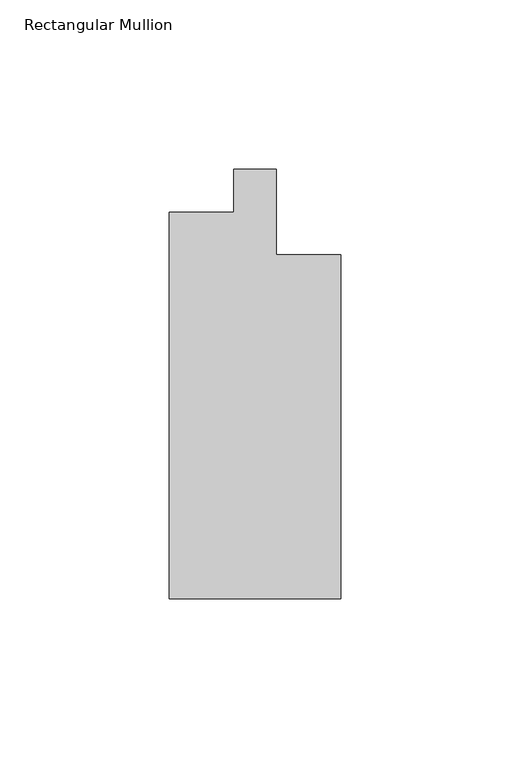
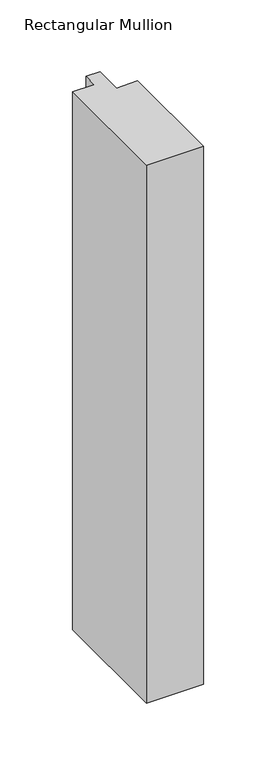
"""IFC4 building model written with IfcOpenShell, lengths in millimetres: member geometry, Rectangular Mullion."""

from ifc_helpers import new_model, si_unit, frame, origin, place, context, project, spatial, polyline, outline, extrude, source, transform, mapped, element, save


def rectangular_mullion_71c44157(model_context):
    return source(origin(), model_context, "Body", "SweptSolid", [
        extrude(outline(polyline([(25.4, -152.4), (-25.4, -152.4), (-25.4, -38.1), (-6.35, -38.1), (-6.35, -25.4), (6.35, -25.4), (6.35, -50.8), (25.4, -50.8), (25.4, -152.4)])), frame((0.0, 0.0, -508.0), z_axis=(0.0, 0.0, 1.0), x_axis=(1.0, 0.0, 0.0)), (0.0, 0.0, 1.0), 508.0),
    ])


if __name__ == "__main__":
    model = new_model("IFC4")
    model_context = context("Model", 3, world=origin())
    ifc_project = project(units=[si_unit("LENGTHUNIT", "METRE", prefix="MILLI")], contexts=[model_context])
    site = spatial("IfcSite", under=ifc_project)
    building = spatial("IfcBuilding", under=site)
    placement = place(None, origin())
    rectangular_mullion_shape = rectangular_mullion_71c44157(model_context)
    element("IfcMember", 1, ObjectType="Rectangular Mullion", at=placement, inside=building, context=model_context, shape_type="MappedRepresentation", body=[
        mapped(rectangular_mullion_shape, transform((0.0, 0.0, 0.0), x_axis=(1.0, 0.0, 0.0), y_axis=(0.0, 1.0, 0.0), z_axis=(0.0, 0.0, 1.0))),
    ])
    save(model, "model.ifc")
